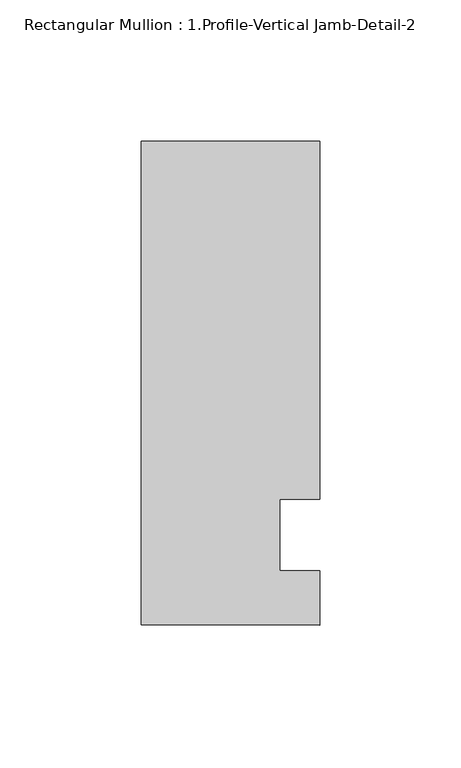
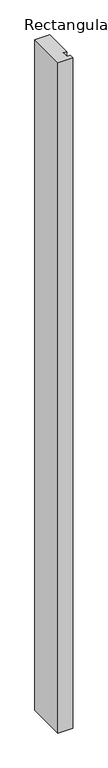
"""IFC4 building model written with IfcOpenShell, lengths in millimetres: member geometry, Rectangular Mullion : 1.Profile-Vertical Jamb-Detail-2."""

from ifc_helpers import new_model, si_unit, frame, origin, place, context, project, spatial, polyline, outline, extrude, source, transform, mapped, element, save


def rectangular_mullion_1_profile_vertical_jamb_detail_2_109f8ac0(model_context):
    return source(origin(), model_context, "Body", "SweptSolid", [
        extrude(outline(polyline([(0.0, 171.4514045), (0.0, 44.4513791), (-14.2875, 44.4514045), (-14.2875, 19.0514045), (0.0, 19.0514045), (-0.0618126, -0.3219397), (-63.454026, 0.0), (-63.454026, 171.4514045), (0.0, 171.4514045)])), frame((0.0, 0.0, -3048.0), z_axis=(0.0, 0.0, 1.0), x_axis=(1.0, 0.0, 0.0)), (0.0, 0.0, 1.0), 3048.0),
    ])


if __name__ == "__main__":
    model = new_model("IFC4")
    model_context = context("Model", 3, world=origin())
    ifc_project = project(units=[si_unit("LENGTHUNIT", "METRE", prefix="MILLI")], contexts=[model_context])
    site = spatial("IfcSite", under=ifc_project)
    building = spatial("IfcBuilding", under=site)
    placement = place(None, origin())
    rectangular_mullion_1_profile_vertical_jamb_detail_2_shape = rectangular_mullion_1_profile_vertical_jamb_detail_2_109f8ac0(model_context)
    element("IfcMember", 1, ObjectType="Rectangular Mullion : 1.Profile-Vertical Jamb-Detail-2", at=placement, inside=building, context=model_context, shape_type="MappedRepresentation", body=[
        mapped(rectangular_mullion_1_profile_vertical_jamb_detail_2_shape, transform((0.0, 0.0, 0.0), x_axis=(1.0, 0.0, 0.0), y_axis=(0.0, 1.0, 0.0), z_axis=(0.0, 0.0, 1.0))),
    ])
    save(model, "model.ifc")
